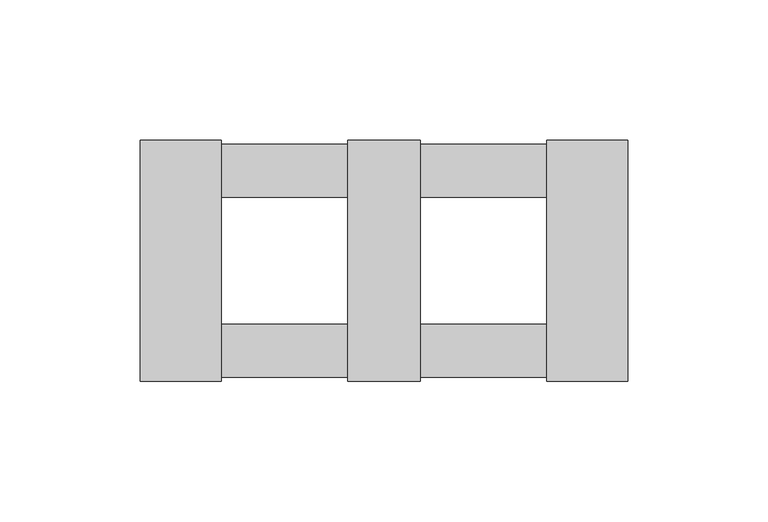
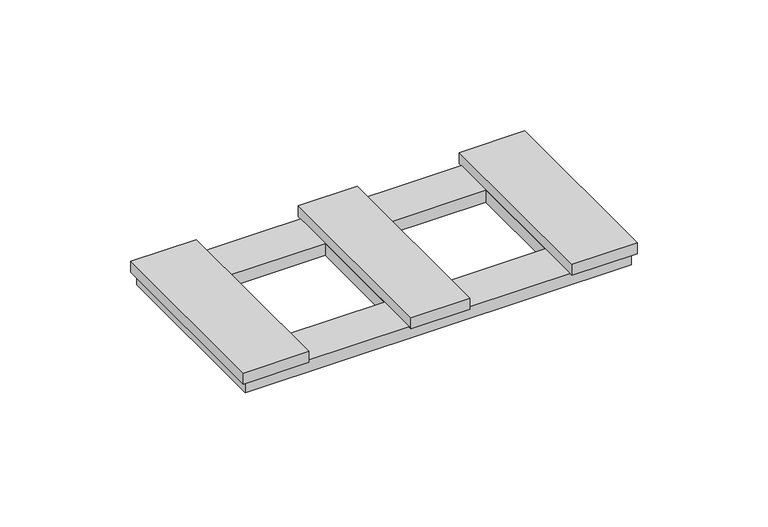
"""IFC4 building model written with IfcOpenShell, lengths in millimetres: proxy geometry."""

import ifcopenshell
import ifcopenshell.guid

model = None  # the IFC model being written
_history = None  # IfcOwnerHistory: only IFC2X3 demands one
_inside = {}  # id of a spatial element -> (the spatial element, [elements in it])
_under = {}  # id of a project, library or spatial element -> (it, [spatial elements below it])
_declared = {}  # id of a project -> (the project, [libraries it declares])
_typed = {}  # id of a type object -> (the type object, [elements of that type])
_made_of = {}  # id of a material, layer set ... -> (it, [elements and type objects made of it])


def new_model(schema):
    """Start an empty IFC model of exactly this schema.

    Asked for "IFC4X3", IfcOpenShell would pick the latest addendum, in which some entities
    have other attributes; the version numbers below select the first issue.
    IFC2X3 requires an IfcOwnerHistory on every rooted entity: one is made here for all.
    """
    global model, _history
    if schema == "IFC4X3":
        model = ifcopenshell.file(schema_version=(4, 3, 0, 0))
    else:
        model = ifcopenshell.file(schema=schema)
    _inside.clear()
    _under.clear()
    _declared.clear()
    _typed.clear()
    _made_of.clear()
    _history = None
    if model.schema == "IFC2X3":
        org = make("IfcOrganization", Name="unknown")
        user = make(
            "IfcPersonAndOrganization",
            ThePerson=make("IfcPerson", FamilyName="unknown"),
            TheOrganization=org,
        )
        app = make(
            "IfcApplication",
            ApplicationDeveloper=org,
            Version="unknown",
            ApplicationFullName="unknown",
            ApplicationIdentifier="unknown",
        )
        _history = make(
            "IfcOwnerHistory",
            OwningUser=user,
            OwningApplication=app,
            ChangeAction="ADDED",
            CreationDate=0,
        )
    return model


def make(cls, **values):
    """One entity of the class cls with the attributes given. An attribute that is None is left unset."""
    return model.create_entity(
        cls, **{name: value for name, value in values.items() if value is not None}
    )


def rooted(cls, **values):
    """An entity with a GlobalId (a new one), such as an element, a storey or a relation."""
    return make(cls, GlobalId=ifcopenshell.guid.new(), OwnerHistory=_history, **values)


def si_unit(unit_type, name, prefix=None):
    """IfcSIUnit, for example si_unit("LENGTHUNIT", "METRE", prefix="MILLI")."""
    return make("IfcSIUnit", UnitType=unit_type, Prefix=prefix, Name=name)


def assignment(units):
    """IfcUnitAssignment: the units of a project."""
    return None if units is None else make("IfcUnitAssignment", Units=units)


def point(xyz):
    """IfcCartesianPoint."""
    return None if xyz is None else make("IfcCartesianPoint", Coordinates=xyz)


def direction(xyz):
    """IfcDirection."""
    return None if xyz is None else make("IfcDirection", DirectionRatios=xyz)


def frame(location, z_axis=None, x_axis=None):
    """IfcAxis2Placement3D, a coordinate frame: its origin and axes. An axis left out is left unset."""
    return make(
        "IfcAxis2Placement3D",
        Location=point(location),
        Axis=direction(z_axis),
        RefDirection=direction(x_axis),
    )


def origin():
    """The frame at (0, 0, 0) with its axes left unset."""
    return frame((0.0, 0.0, 0.0))


def origin_with_axes():
    """The frame at (0, 0, 0) with the z axis (0, 0, 1) and the x axis (1, 0, 0) written out."""
    return frame((0.0, 0.0, 0.0), z_axis=(0.0, 0.0, 1.0), x_axis=(1.0, 0.0, 0.0))


def place(relative_to, where):
    """IfcLocalPlacement: puts the frame where relative to a parent placement (None: the world)."""
    return make(
        "IfcLocalPlacement", PlacementRelTo=relative_to, RelativePlacement=where
    )


def context(
    kind, dimensions, precision=None, world=None, true_north=None, identifier=None
):
    """IfcGeometricRepresentationContext, for example the 3D "Model" context."""
    return make(
        "IfcGeometricRepresentationContext",
        ContextIdentifier=identifier,
        ContextType=kind,
        CoordinateSpaceDimension=dimensions,
        Precision=precision,
        WorldCoordinateSystem=world,
        TrueNorth=true_north,
    )


def project(units=None, contexts=None):
    """IfcProject with its units and contexts."""
    return rooted(
        "IfcProject",
        Name="project",
        RepresentationContexts=contexts,
        UnitsInContext=assignment(units),
    )


def spatial(cls, under=None, at=None, **own):
    """A site, building, storey or space (cls), placed at a placement, below another one or the project."""
    s = rooted(cls, ObjectPlacement=at, **own)
    if under is not None:
        _under.setdefault(under.id(), (under, []))[1].append(s)
    return s


def polyline(points):
    """IfcPolyline through the points."""
    return make("IfcPolyline", Points=[point(p) for p in points])


def outline(outer, holes=None, kind="AREA"):
    """IfcArbitraryClosedProfileDef: a profile drawn as a closed curve; with holes, ...WithVoids."""
    if holes is None:
        return make("IfcArbitraryClosedProfileDef", ProfileType=kind, OuterCurve=outer)
    return make(
        "IfcArbitraryProfileDefWithVoids",
        ProfileType=kind,
        OuterCurve=outer,
        InnerCurves=holes,
    )


def extrude(swept, where, along, depth):
    """IfcExtrudedAreaSolid: the profile swept, set in the frame where, extruded along a direction by depth."""
    return make(
        "IfcExtrudedAreaSolid",
        SweptArea=swept,
        Position=where,
        ExtrudedDirection=direction(along),
        Depth=depth,
    )


def shape(context_of_items, identifier, shape_type, items):
    """IfcShapeRepresentation: the items that make up one representation, for example the "Body"."""
    return make(
        "IfcShapeRepresentation",
        ContextOfItems=context_of_items,
        RepresentationIdentifier=identifier,
        RepresentationType=shape_type,
        Items=items,
    )


def source(mapping_origin, context_of_items, identifier, shape_type, items):
    """IfcRepresentationMap: a shape defined once, which mapped items show again and again."""
    return make(
        "IfcRepresentationMap",
        MappingOrigin=mapping_origin,
        MappedRepresentation=shape(context_of_items, identifier, shape_type, items),
    )


def transform(
    local_origin,
    x_axis=None,
    y_axis=None,
    z_axis=None,
    scale=None,
    scale2=None,
    scale3=None,
    uniform=True,
):
    """IfcCartesianTransformationOperator3D, or its non-uniform kind. x_axis, y_axis, z_axis: its Axis1, 2, 3."""
    if uniform:
        return make(
            "IfcCartesianTransformationOperator3D",
            Axis1=direction(x_axis),
            Axis2=direction(y_axis),
            LocalOrigin=point(local_origin),
            Scale=scale,
            Axis3=direction(z_axis),
        )
    return make(
        "IfcCartesianTransformationOperator3DnonUniform",
        Axis1=direction(x_axis),
        Axis2=direction(y_axis),
        LocalOrigin=point(local_origin),
        Scale=scale,
        Axis3=direction(z_axis),
        Scale2=scale2,
        Scale3=scale3,
    )


def mapped(mapping_source, mapping_target):
    """IfcMappedItem: shows the shape of a source again, moved by a transform."""
    return make(
        "IfcMappedItem", MappingSource=mapping_source, MappingTarget=mapping_target
    )


def made_of(thing, what):
    """Note that an element or type object is made of a material, layer set ...; save() writes the relation."""
    if what is not None:
        _made_of.setdefault(what.id(), (what, []))[1].append(thing)
    return thing


def element(
    cls,
    number,
    at=None,
    inside=None,
    cuts=None,
    type_object=None,
    material=None,
    context=None,
    identifier="Body",
    shape_type=None,
    held_by="IfcProductDefinitionShape",
    body=None,
    shapes=None,
    **own,
):
    """One element of the class cls, such as IfcWall. Its Tag is "e" and its number.

    at: its placement. inside: the storey or other place that contains it. cuts: it is an
    opening in that element (IfcRelVoidsElement). A single representation is given by context,
    identifier, shape_type and body (its items); several are given by shapes. held_by: the class
    of the entity that holds the representations. save() writes the other relations.
    """
    e = rooted(cls, Tag="e%d" % number, ObjectPlacement=at, **own)
    if body is not None:
        shapes = [shape(context, identifier, shape_type, body)]
    if shapes is not None:
        e.Representation = make(held_by, Representations=shapes)
    if inside is not None:
        _inside.setdefault(inside.id(), (inside, []))[1].append(e)
    if cuts is not None:
        rooted(
            "IfcRelVoidsElement", RelatingBuildingElement=cuts, RelatedOpeningElement=e
        )
    if type_object is not None:
        _typed.setdefault(type_object.id(), (type_object, []))[1].append(e)
    return made_of(e, material)


def aggregate(whole, parts):
    """IfcRelAggregates: a whole, such as a stair, and the parts it consists of."""
    return rooted("IfcRelAggregates", RelatingObject=whole, RelatedObjects=parts)


def save(model, path):
    """Write the relations noted so far, then the file.

    IfcRelAggregates (storeys below a building ...), IfcRelContainedInSpatialStructure (elements
    in a storey), IfcRelDefinesByType, IfcRelAssociatesMaterial and IfcRelDeclares: one each for
    every whole, place, type object, material and project.
    """
    for whole, parts in _under.values():
        aggregate(whole, parts)
    for where, things in _inside.values():
        rooted(
            "IfcRelContainedInSpatialStructure",
            RelatedElements=things,
            RelatingStructure=where,
        )
    for kind, things in _typed.values():
        rooted("IfcRelDefinesByType", RelatedObjects=things, RelatingType=kind)
    for what, things in _made_of.values():
        rooted("IfcRelAssociatesMaterial", RelatedObjects=things, RelatingMaterial=what)
    for by, libraries in _declared.values():
        rooted("IfcRelDeclares", RelatingContext=by, RelatedDefinitions=libraries)
    model.write(path)


def electrical_fixtures_4f1a8e33(model_context):
    return source(origin(), model_context, "Body", "SweptSolid", [
        extrude(outline(polyline([(85.2, 41.5), (85.2, -41.5), (-85.1718172, -41.5), (-85.1718172, 41.5), (85.2, 41.5)]), holes=[polyline([(-13.0, 22.5), (-58.0, 22.5), (-58.0, -22.5), (-13.0, -22.5), (-13.0, 22.5)]), polyline([(13.0, 22.5), (13.0, -22.5), (58.0, -22.5), (58.0, 22.5), (13.0, 22.5)])]), origin_with_axes(), (0.0, 0.0, 1.0), 5.5),
        extrude(outline(polyline([(-86.9, -43.0), (-86.9, 43.0), (-58.0, 43.0), (-58.0, -43.0), (-86.9, -43.0)])), frame((0.0, 0.0, 5.5), z_axis=(0.0, 0.0, 1.0), x_axis=(1.0, 0.0, 0.0)), (0.0, 0.0, 1.0), 5.2),
        extrude(outline(polyline([(-13.0, -43.0), (-13.0, 43.0), (13.0, 43.0), (13.0, -43.0), (-13.0, -43.0)])), frame((0.0, 0.0, 5.5), z_axis=(0.0, 0.0, 1.0), x_axis=(1.0, 0.0, 0.0)), (0.0, 0.0, 1.0), 5.2),
        extrude(outline(polyline([(86.9, -43.0), (58.0, -43.0), (58.0, 43.0), (86.9, 43.0), (86.9, -43.0)])), frame((0.0, 0.0, 5.5), z_axis=(0.0, 0.0, 1.0), x_axis=(1.0, 0.0, 0.0)), (0.0, 0.0, 1.0), 5.2),
    ])


if __name__ == "__main__":
    model = new_model("IFC4")
    model_context = context("Model", 3, world=origin())
    ifc_project = project(units=[si_unit("LENGTHUNIT", "METRE", prefix="MILLI")], contexts=[model_context])
    site = spatial("IfcSite", under=ifc_project)
    building = spatial("IfcBuilding", under=site)
    placement = place(None, origin())
    electrical_fixtures_shape = electrical_fixtures_4f1a8e33(model_context)
    element("IfcBuildingElementProxy", 1, Name="Electrical Fixtures", at=placement, inside=building, context=model_context, shape_type="MappedRepresentation", body=[
        mapped(electrical_fixtures_shape, transform((0.0, 0.0, 0.0), x_axis=(1.0, 0.0, 0.0), y_axis=(0.0, 1.0, 0.0), z_axis=(0.0, 0.0, 1.0))),
    ])
    save(model, "model.ifc")
